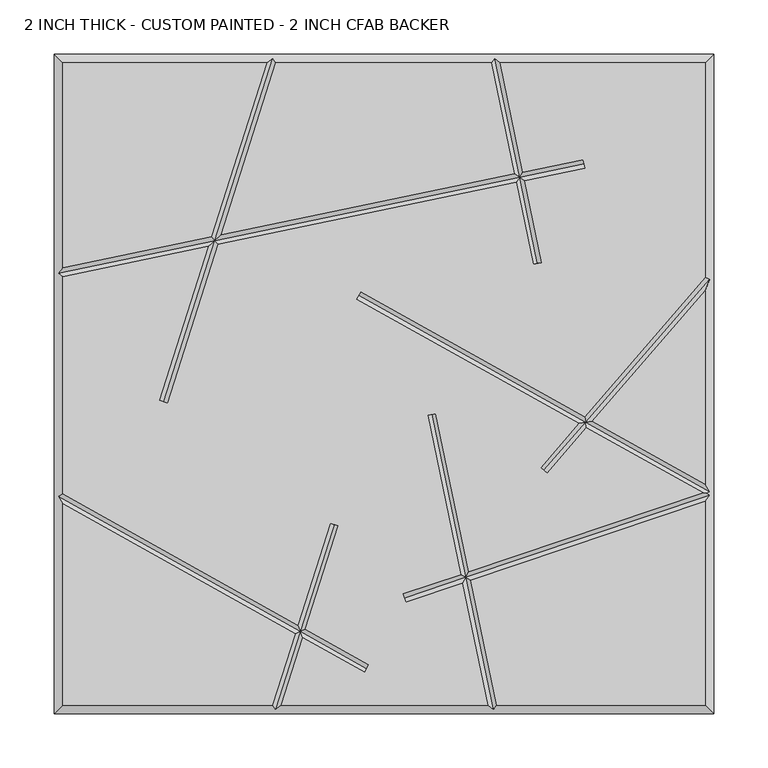
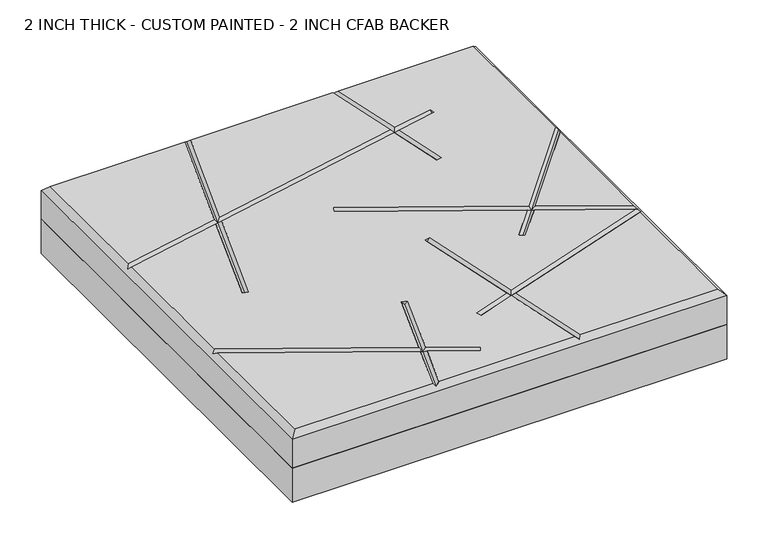
"""IFC4 building model written with IfcOpenShell, lengths in millimetres: proxy geometry, 2 INCH THICK - CUSTOM PAINTED - 2 INCH CFAB BACKER."""

import ifcopenshell
import ifcopenshell.guid

model = None  # the IFC model being written
_history = None  # IfcOwnerHistory: only IFC2X3 demands one
_inside = {}  # id of a spatial element -> (the spatial element, [elements in it])
_under = {}  # id of a project, library or spatial element -> (it, [spatial elements below it])
_declared = {}  # id of a project -> (the project, [libraries it declares])
_typed = {}  # id of a type object -> (the type object, [elements of that type])
_made_of = {}  # id of a material, layer set ... -> (it, [elements and type objects made of it])


def new_model(schema):
    """Start an empty IFC model of exactly this schema.

    Asked for "IFC4X3", IfcOpenShell would pick the latest addendum, in which some entities
    have other attributes; the version numbers below select the first issue.
    IFC2X3 requires an IfcOwnerHistory on every rooted entity: one is made here for all.
    """
    global model, _history
    if schema == "IFC4X3":
        model = ifcopenshell.file(schema_version=(4, 3, 0, 0))
    else:
        model = ifcopenshell.file(schema=schema)
    _inside.clear()
    _under.clear()
    _declared.clear()
    _typed.clear()
    _made_of.clear()
    _history = None
    if model.schema == "IFC2X3":
        org = make("IfcOrganization", Name="unknown")
        user = make(
            "IfcPersonAndOrganization",
            ThePerson=make("IfcPerson", FamilyName="unknown"),
            TheOrganization=org,
        )
        app = make(
            "IfcApplication",
            ApplicationDeveloper=org,
            Version="unknown",
            ApplicationFullName="unknown",
            ApplicationIdentifier="unknown",
        )
        _history = make(
            "IfcOwnerHistory",
            OwningUser=user,
            OwningApplication=app,
            ChangeAction="ADDED",
            CreationDate=0,
        )
    return model


def make(cls, **values):
    """One entity of the class cls with the attributes given. An attribute that is None is left unset."""
    return model.create_entity(
        cls, **{name: value for name, value in values.items() if value is not None}
    )


def rooted(cls, **values):
    """An entity with a GlobalId (a new one), such as an element, a storey or a relation."""
    return make(cls, GlobalId=ifcopenshell.guid.new(), OwnerHistory=_history, **values)


def si_unit(unit_type, name, prefix=None):
    """IfcSIUnit, for example si_unit("LENGTHUNIT", "METRE", prefix="MILLI")."""
    return make("IfcSIUnit", UnitType=unit_type, Prefix=prefix, Name=name)


def assignment(units):
    """IfcUnitAssignment: the units of a project."""
    return None if units is None else make("IfcUnitAssignment", Units=units)


def point(xyz):
    """IfcCartesianPoint."""
    return None if xyz is None else make("IfcCartesianPoint", Coordinates=xyz)


def direction(xyz):
    """IfcDirection."""
    return None if xyz is None else make("IfcDirection", DirectionRatios=xyz)


def frame(location, z_axis=None, x_axis=None):
    """IfcAxis2Placement3D, a coordinate frame: its origin and axes. An axis left out is left unset."""
    return make(
        "IfcAxis2Placement3D",
        Location=point(location),
        Axis=direction(z_axis),
        RefDirection=direction(x_axis),
    )


def origin():
    """The frame at (0, 0, 0) with its axes left unset."""
    return frame((0.0, 0.0, 0.0))


def place(relative_to, where):
    """IfcLocalPlacement: puts the frame where relative to a parent placement (None: the world)."""
    return make(
        "IfcLocalPlacement", PlacementRelTo=relative_to, RelativePlacement=where
    )


def context(
    kind, dimensions, precision=None, world=None, true_north=None, identifier=None
):
    """IfcGeometricRepresentationContext, for example the 3D "Model" context."""
    return make(
        "IfcGeometricRepresentationContext",
        ContextIdentifier=identifier,
        ContextType=kind,
        CoordinateSpaceDimension=dimensions,
        Precision=precision,
        WorldCoordinateSystem=world,
        TrueNorth=true_north,
    )


def project(units=None, contexts=None):
    """IfcProject with its units and contexts."""
    return rooted(
        "IfcProject",
        Name="project",
        RepresentationContexts=contexts,
        UnitsInContext=assignment(units),
    )


def spatial(cls, under=None, at=None, **own):
    """A site, building, storey or space (cls), placed at a placement, below another one or the project."""
    s = rooted(cls, ObjectPlacement=at, **own)
    if under is not None:
        _under.setdefault(under.id(), (under, []))[1].append(s)
    return s


def polyline(points):
    """IfcPolyline through the points."""
    return make("IfcPolyline", Points=[point(p) for p in points])


def outline(outer, holes=None, kind="AREA"):
    """IfcArbitraryClosedProfileDef: a profile drawn as a closed curve; with holes, ...WithVoids."""
    if holes is None:
        return make("IfcArbitraryClosedProfileDef", ProfileType=kind, OuterCurve=outer)
    return make(
        "IfcArbitraryProfileDefWithVoids",
        ProfileType=kind,
        OuterCurve=outer,
        InnerCurves=holes,
    )


def extrude(swept, where, along, depth):
    """IfcExtrudedAreaSolid: the profile swept, set in the frame where, extruded along a direction by depth."""
    return make(
        "IfcExtrudedAreaSolid",
        SweptArea=swept,
        Position=where,
        ExtrudedDirection=direction(along),
        Depth=depth,
    )


def faces_of(points, faces, orient=None, outer=None):
    """IfcFace entities. A face is a list of loops; a loop is a list of indices into points, from 0.

    orient and outer hold one flag for each loop. By default every Orientation is true, the
    first loop of a face is its IfcFaceOuterBound and the others are IfcFaceBound.
    """
    made = []
    for i, loops in enumerate(faces):
        bounds = []
        for j, loop in enumerate(loops):
            is_outer = j == 0 if outer is None else outer[i][j]
            bounds.append(
                make(
                    "IfcFaceOuterBound" if is_outer else "IfcFaceBound",
                    Bound=make("IfcPolyLoop", Polygon=[points[k] for k in loop]),
                    Orientation=True if orient is None else orient[i][j],
                )
            )
        made.append(make("IfcFace", Bounds=bounds))
    return made


def faceted_brep(points, faces, orient=None, outer=None, voids=None):
    """IfcFacetedBrep: a solid bounded by flat faces; with voids (closed shells), ...WithVoids."""
    shared = [point(p) for p in points]
    hull = make("IfcClosedShell", CfsFaces=faces_of(shared, faces, orient, outer))
    if voids is None:
        return make("IfcFacetedBrep", Outer=hull)
    return make(
        "IfcFacetedBrepWithVoids",
        Outer=hull,
        Voids=[
            make(cls, CfsFaces=faces_of(shared, fs, o, b)) for cls, fs, o, b in voids
        ],
    )


def shape(context_of_items, identifier, shape_type, items):
    """IfcShapeRepresentation: the items that make up one representation, for example the "Body"."""
    return make(
        "IfcShapeRepresentation",
        ContextOfItems=context_of_items,
        RepresentationIdentifier=identifier,
        RepresentationType=shape_type,
        Items=items,
    )


def source(mapping_origin, context_of_items, identifier, shape_type, items):
    """IfcRepresentationMap: a shape defined once, which mapped items show again and again."""
    return make(
        "IfcRepresentationMap",
        MappingOrigin=mapping_origin,
        MappedRepresentation=shape(context_of_items, identifier, shape_type, items),
    )


def transform(
    local_origin,
    x_axis=None,
    y_axis=None,
    z_axis=None,
    scale=None,
    scale2=None,
    scale3=None,
    uniform=True,
):
    """IfcCartesianTransformationOperator3D, or its non-uniform kind. x_axis, y_axis, z_axis: its Axis1, 2, 3."""
    if uniform:
        return make(
            "IfcCartesianTransformationOperator3D",
            Axis1=direction(x_axis),
            Axis2=direction(y_axis),
            LocalOrigin=point(local_origin),
            Scale=scale,
            Axis3=direction(z_axis),
        )
    return make(
        "IfcCartesianTransformationOperator3DnonUniform",
        Axis1=direction(x_axis),
        Axis2=direction(y_axis),
        LocalOrigin=point(local_origin),
        Scale=scale,
        Axis3=direction(z_axis),
        Scale2=scale2,
        Scale3=scale3,
    )


def mapped(mapping_source, mapping_target):
    """IfcMappedItem: shows the shape of a source again, moved by a transform."""
    return make(
        "IfcMappedItem", MappingSource=mapping_source, MappingTarget=mapping_target
    )


def made_of(thing, what):
    """Note that an element or type object is made of a material, layer set ...; save() writes the relation."""
    if what is not None:
        _made_of.setdefault(what.id(), (what, []))[1].append(thing)
    return thing


def element(
    cls,
    number,
    at=None,
    inside=None,
    cuts=None,
    type_object=None,
    material=None,
    context=None,
    identifier="Body",
    shape_type=None,
    held_by="IfcProductDefinitionShape",
    body=None,
    shapes=None,
    **own,
):
    """One element of the class cls, such as IfcWall. Its Tag is "e" and its number.

    at: its placement. inside: the storey or other place that contains it. cuts: it is an
    opening in that element (IfcRelVoidsElement). A single representation is given by context,
    identifier, shape_type and body (its items); several are given by shapes. held_by: the class
    of the entity that holds the representations. save() writes the other relations.
    """
    e = rooted(cls, Tag="e%d" % number, ObjectPlacement=at, **own)
    if body is not None:
        shapes = [shape(context, identifier, shape_type, body)]
    if shapes is not None:
        e.Representation = make(held_by, Representations=shapes)
    if inside is not None:
        _inside.setdefault(inside.id(), (inside, []))[1].append(e)
    if cuts is not None:
        rooted(
            "IfcRelVoidsElement", RelatingBuildingElement=cuts, RelatedOpeningElement=e
        )
    if type_object is not None:
        _typed.setdefault(type_object.id(), (type_object, []))[1].append(e)
    return made_of(e, material)


def aggregate(whole, parts):
    """IfcRelAggregates: a whole, such as a stair, and the parts it consists of."""
    return rooted("IfcRelAggregates", RelatingObject=whole, RelatedObjects=parts)


def save(model, path):
    """Write the relations noted so far, then the file.

    IfcRelAggregates (storeys below a building ...), IfcRelContainedInSpatialStructure (elements
    in a storey), IfcRelDefinesByType, IfcRelAssociatesMaterial and IfcRelDeclares: one each for
    every whole, place, type object, material and project.
    """
    for whole, parts in _under.values():
        aggregate(whole, parts)
    for where, things in _inside.values():
        rooted(
            "IfcRelContainedInSpatialStructure",
            RelatedElements=things,
            RelatingStructure=where,
        )
    for kind, things in _typed.values():
        rooted("IfcRelDefinesByType", RelatedObjects=things, RelatingType=kind)
    for what, things in _made_of.values():
        rooted("IfcRelAssociatesMaterial", RelatedObjects=things, RelatingMaterial=what)
    for by, libraries in _declared.values():
        rooted("IfcRelDeclares", RelatingContext=by, RelatedDefinitions=libraries)
    model.write(path)


def proxy_2_inch_thick_custom_painted_2_inch_cfab_backer_2fbc9c69(model_context):
    return source(origin(), model_context, "Body", "SolidModel", [
        extrude(outline(polyline([(-304.8, 304.8), (304.8, 304.8), (304.8, -304.8), (-304.8, -304.8), (-304.8, 304.8)])), frame((0.0, 0.0, -50.8), z_axis=(0.0, 0.0, 1.0), x_axis=(1.0, 0.0, 0.0)), (0.0, 0.0, 1.0), 50.8),
        faceted_brep([(-296.799, 296.799, 50.8), (-296.799, 107.3480638, 50.8), (-159.4586078, 135.8795502, 50.8), (-108.3391886, 296.799, 50.8), (296.799, -296.799, 50.8), (296.799, -108.5119669, 50.8), (80.0538834, -181.4165569, 50.8), (104.0237625, -296.799, 50.8), (-296.799, -110.6534853, 50.8), (-296.799, -296.799, 50.8), (-103.2558195, -296.799, 50.8), (-82.2134891, -230.5595886, 50.8), (184.2546922, 207.2835354, 50.8), (185.8820968, 199.4497907, 50.8), (129.9840642, 187.8373734, 50.8), (145.7029214, 112.1724049, 50.8), (137.8691767, 110.5450004, 50.8), (122.1503195, 186.2099688, 50.8), (-153.2498082, 128.9975577, 50.8), (-199.8388724, -17.6607318, 50.8), (-207.4643565, -15.2383377, 50.8), (-162.2379804, 127.130329, 50.8), (-296.799, 99.1762375, 50.8), (-296.799, -101.4881131, 50.8), (-79.7408339, -222.7758868, 50.8), (-49.8549585, -128.6977715, 50.8), (-42.2294744, -131.1201655, 50.8), (-72.6113646, -226.7596921, 50.8), (-13.9611021, -259.5322889, 50.8), (-17.8639294, -266.516839, 50.8), (-75.0840198, -234.5433938, 50.8), (-94.8608114, -296.799, 50.8), (95.8519362, -296.799, 50.8), (72.4157815, -183.985716, 50.8), (20.0037035, -201.6150916, 50.8), (17.4529106, -194.0315926, 50.8), (70.7766593, -176.0955667, 50.8), (40.2072869, -28.9455186, 50.8), (48.0410316, -27.318114, 50.8), (78.4147612, -173.5264076, 50.8), (294.9653156, -100.6872606, 50.8), (187.1012518, -40.4149733, 50.8), (150.6770336, -82.4732231, 50.8), (144.6288963, -77.2352812, 50.8), (179.9685456, -36.4293593, 50.8), (-25.4958806, 78.3800638, 50.8), (-21.5930534, 85.3646139, 50.8), (185.3175947, -30.2529291, 50.8), (296.799, 98.472217, 50.8), (296.799, 296.799, 50.8), (107.3480638, 296.799, 50.8), (128.3566596, 195.671118, 50.8), (-99.9441805, 296.799, 50.8), (-150.4704356, 137.7467788, 50.8), (120.522915, 194.0437135, 50.8), (99.1762375, 296.799, 50.8), (192.4503009, -34.238543, 50.8), (296.799, -92.5465147, 50.8), (296.799, 86.2506228, 50.8), (-304.8, 304.8, 0.0), (304.8, 304.8, 0.0), (304.8, -304.8, 0.0), (-304.8, -304.8, 0.0), (-304.8, -304.8, 42.799), (-304.8, 304.8, 42.799), (304.8, -304.8, 42.799), (304.8, 304.8, 42.799), (-102.8708423, 300.7995, 46.7995), (102.4310753, 300.7995, 46.7995), (-300.7995, -103.8353996, 46.7995), (-300.7995, 102.4310753, 46.7995), (100.7689247, -300.7995, 46.7995), (-100.3291577, -300.7995, 46.7995), (300.7995, 96.9807099, 46.7995), (300.7995, -99.3646004, 46.7995), (298.0563573, -100.9741346, 49.5426427), (300.7995, -102.9456119, 46.7995), (185.0683945, 203.3666631, 46.7995), (-156.354208, 132.4385539, 46.7995), (125.2534896, 190.9405434, 46.7995), (-203.6516145, -16.4495347, 46.7995), (141.7860491, 111.3587027, 46.7995), (-23.544467, 81.8723389, 46.7995), (186.2094232, -35.3339512, 46.7995), (147.652965, -79.8542522, 46.7995), (18.728307, -197.8233421, 46.7995), (75.4152713, -178.7560618, 46.7995), (-15.9125158, -263.0245639, 46.7995), (-77.4124268, -228.6596403, 46.7995), (-46.0422164, -129.9089685, 46.7995), (44.1241593, -28.1318163, 46.7995)], [[[0, 1, 2, 3]], [[4, 5, 6, 7]], [[8, 9, 10, 11]], [[12, 13, 14, 15, 16, 17, 18, 19, 20, 21, 22, 23, 24, 25, 26, 27, 28, 29, 30, 31, 32, 33, 34, 35, 36, 37, 38, 39, 40, 41, 42, 43, 44, 45, 46, 47, 48, 49, 50, 51]], [[52, 53, 54, 55]], [[56, 57, 58]], [[59, 60, 61, 62]], [[59, 62, 63, 64]], [[62, 61, 65, 63]], [[61, 60, 66, 65]], [[60, 59, 64, 66]], [[64, 0, 3, 67, 52, 55, 68, 50, 49, 66]], [[0, 64, 63, 9, 8, 69, 23, 22, 70, 1]], [[9, 63, 65, 4, 7, 71, 32, 31, 72, 10]], [[66, 49, 48, 73, 58, 57, 74, 75, 76, 5, 4, 65]], [[12, 77, 13]], [[1, 70, 78, 2]], [[77, 12, 51, 79]], [[53, 78, 79, 54]], [[70, 22, 21, 78]], [[13, 77, 79, 14]], [[78, 18, 17, 79]], [[19, 80, 20]], [[80, 19, 18, 78]], [[67, 78, 53, 52]], [[20, 80, 78, 21]], [[78, 67, 3, 2]], [[15, 81, 16]], [[81, 15, 14, 79]], [[68, 79, 51, 50]], [[16, 81, 79, 17]], [[79, 68, 55, 54]], [[45, 82, 46]], [[74, 57, 56, 83]], [[46, 82, 83, 47]], [[82, 45, 44, 83]], [[74, 83, 41, 40, 75]], [[42, 84, 43]], [[84, 42, 41, 83]], [[73, 83, 56, 58]], [[43, 84, 83, 44]], [[83, 73, 48, 47]], [[34, 85, 35]], [[5, 76, 86, 6]], [[85, 34, 33, 86]], [[76, 75, 40, 39, 86]], [[35, 85, 86, 36]], [[28, 87, 29]], [[23, 69, 88, 24]], [[87, 28, 27, 88]], [[69, 8, 11, 88]], [[29, 87, 88, 30]], [[25, 89, 26]], [[89, 25, 24, 88]], [[72, 88, 11, 10]], [[26, 89, 88, 27]], [[88, 72, 31, 30]], [[37, 90, 38]], [[90, 37, 36, 86]], [[71, 86, 33, 32]], [[38, 90, 86, 39]], [[86, 71, 7, 6]]]),
    ])


if __name__ == "__main__":
    model = new_model("IFC4")
    model_context = context("Model", 3, world=origin())
    ifc_project = project(units=[si_unit("LENGTHUNIT", "METRE", prefix="MILLI")], contexts=[model_context])
    site = spatial("IfcSite", under=ifc_project)
    building = spatial("IfcBuilding", under=site)
    placement = place(None, origin())
    proxy_2_inch_thick_custom_painted_2_inch_cfab_backer_shape = proxy_2_inch_thick_custom_painted_2_inch_cfab_backer_2fbc9c69(model_context)
    element("IfcBuildingElementProxy", 1, Name="2 INCH THICK - CUSTOM PAINTED - 2 INCH CFAB BACKER", ObjectType="2 INCH THICK - CUSTOM PAINTED - 2 INCH CFAB BACKER", at=placement, inside=building, context=model_context, shape_type="MappedRepresentation", body=[
        mapped(proxy_2_inch_thick_custom_painted_2_inch_cfab_backer_shape, transform((0.0, 0.0, 0.0), x_axis=(1.0, 0.0, 0.0), y_axis=(0.0, 1.0, 0.0), z_axis=(0.0, 0.0, 1.0))),
    ])
    save(model, "model.ifc")
